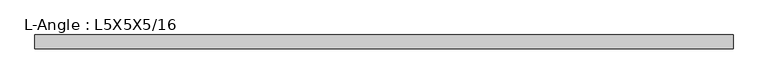
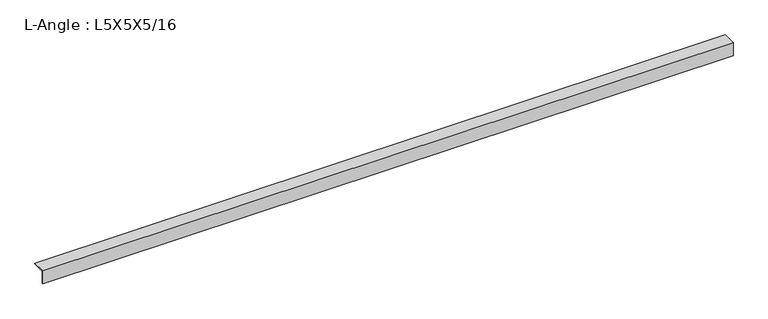
"""IFC4 building model written with IfcOpenShell, lengths in millimetres: beam geometry, L-Angle : L5X5X5/16."""

from ifc_helpers import new_model, si_unit, point, frame, frame_2d, origin, place, context, project, spatial, polyline, circle_curve, trimmed, segment, composite_curve, outline, extrude, source, transform, mapped, element, save


def l_angle_l5x5x5_16_9eb61e94(model_context):
    return source(origin(), model_context, "Body", "SweptSolid", [
        extrude(outline(composite_curve([segment(polyline([(-34.3296875, 34.3296875), (92.6703125, 34.3296875)]), True, "CONTINUOUS"), segment(trimmed(circle_curve(frame_2d((84.7328125, 34.3296875)), 7.9375), [point((92.6703125, 34.3296875))], [point((84.7328125, 26.3921875))], False, "CARTESIAN"), True, "CONTINUOUS"), segment(polyline([(84.7328125, 26.3921875), (-18.4546875, 26.3921875)]), True, "CONTINUOUS"), segment(trimmed(circle_curve(frame_2d((-18.4546875, 18.4546875)), 7.9375), [point((-18.4546875, 26.3921875))], [point((-26.3921875, 18.4546875))], True, "CARTESIAN"), True, "CONTINUOUS"), segment(polyline([(-26.3921875, 18.4546875), (-26.3921875, -84.7328125)]), True, "CONTINUOUS"), segment(trimmed(circle_curve(frame_2d((-34.3296875, -84.7328125)), 7.9375), [point((-26.3921875, -84.7328125))], [point((-34.3296875, -92.6703125))], False, "CARTESIAN"), True, "CONTINUOUS"), segment(polyline([(-34.3296875, -92.6703125), (-34.3296875, 34.3296875)]), True, "CONTINUOUS")], self_intersect=False)), frame((-3209.3296875, 0.0, 0.0), z_axis=(1.0, 0.0, 0.0), x_axis=(0.0, 1.0, 0.0)), (0.0, 0.0, 1.0), 6418.659375),
    ])


if __name__ == "__main__":
    model = new_model("IFC4")
    model_context = context("Model", 3, world=origin())
    ifc_project = project(units=[si_unit("LENGTHUNIT", "METRE", prefix="MILLI")], contexts=[model_context])
    site = spatial("IfcSite", under=ifc_project)
    building = spatial("IfcBuilding", under=site)
    placement = place(None, origin())
    l_angle_l5x5x5_16_shape = l_angle_l5x5x5_16_9eb61e94(model_context)
    element("IfcBeam", 1, ObjectType="L-Angle : L5X5X5/16", at=placement, inside=building, context=model_context, shape_type="MappedRepresentation", body=[
        mapped(l_angle_l5x5x5_16_shape, transform((0.0, 0.0, 0.0), x_axis=(1.0, 0.0, 0.0), y_axis=(0.0, 1.0, 0.0), z_axis=(0.0, 0.0, 1.0))),
    ])
    save(model, "model.ifc")
